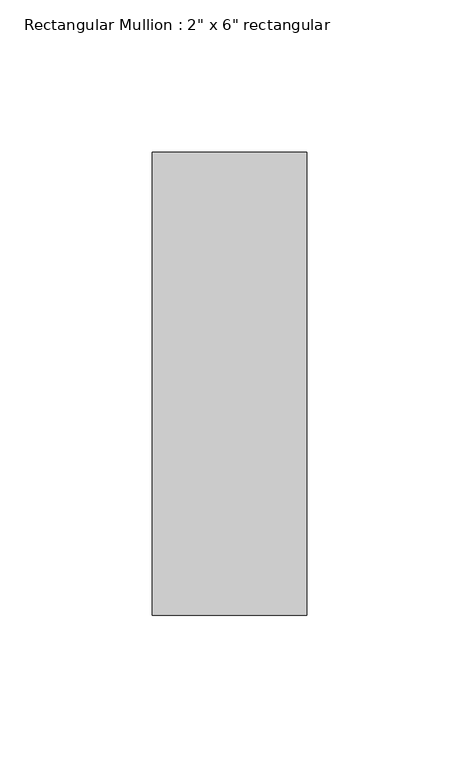
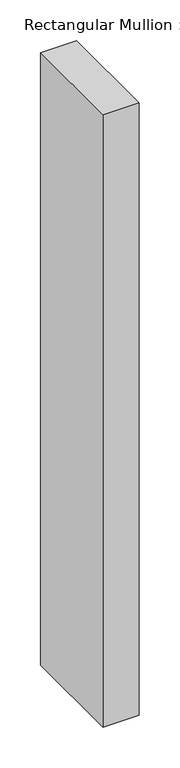
"""IFC4 building model written with IfcOpenShell, lengths in millimetres: member geometry."""

from ifc_helpers import new_model, si_unit, frame, origin, place, context, project, spatial, polyline, outline, extrude, source, transform, mapped, element, save


def member_a1dc9845(model_context):
    return source(origin(), model_context, "Body", "SweptSolid", [
        extrude(outline(polyline([(25.4, 76.2), (25.4, -76.2), (-25.4, -76.2), (-25.4, 76.2), (25.4, 76.2)])), frame((0.0, 0.0, -914.4), z_axis=(0.0, 0.0, 1.0), x_axis=(1.0, 0.0, 0.0)), (0.0, 0.0, 1.0), 914.4),
    ])


if __name__ == "__main__":
    model = new_model("IFC4")
    model_context = context("Model", 3, world=origin())
    ifc_project = project(units=[si_unit("LENGTHUNIT", "METRE", prefix="MILLI")], contexts=[model_context])
    site = spatial("IfcSite", under=ifc_project)
    building = spatial("IfcBuilding", under=site)
    placement = place(None, origin())
    member_shape = member_a1dc9845(model_context)
    element("IfcMember", 1, ObjectType="Rectangular Mullion : 2\" x 6\" rectangular", at=placement, inside=building, context=model_context, shape_type="MappedRepresentation", body=[
        mapped(member_shape, transform((0.0, 0.0, 0.0), x_axis=(1.0, 0.0, 0.0), y_axis=(0.0, 1.0, 0.0), z_axis=(0.0, 0.0, 1.0))),
    ])
    save(model, "model.ifc")
